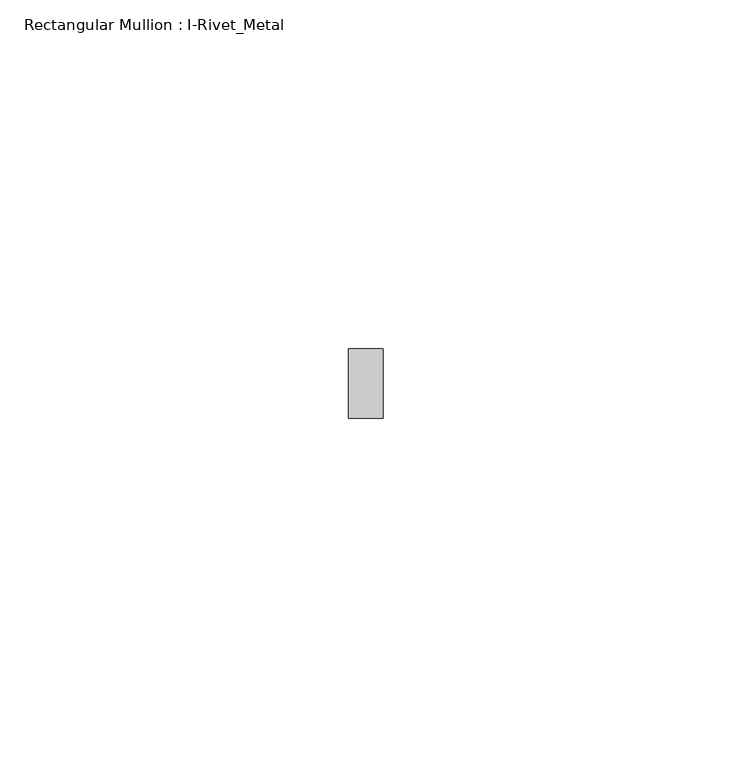
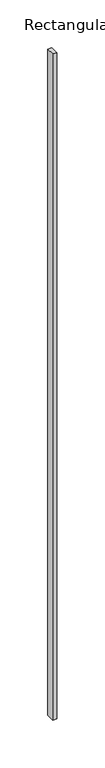
"""IFC4 building model written with IfcOpenShell, lengths in millimetres: member geometry, Rectangular Mullion : I-Rivet_Metal."""

from ifc_helpers import new_model, si_unit, frame, origin, place, context, project, spatial, polyline, outline, extrude, source, transform, mapped, element, save


def rectangular_mullion_i_rivet_metal_93307481(model_context):
    return source(origin(), model_context, "Body", "SweptSolid", [
        extrude(outline(polyline([(2.5, 70.0), (-2.5, 70.0), (-2.5, 80.0), (2.5, 80.0), (2.5, 70.0)])), frame((0.0, 0.0, -850.0), z_axis=(0.0, 0.0, 1.0), x_axis=(1.0, 0.0, 0.0)), (0.0, 0.0, 1.0), 850.0),
    ])


if __name__ == "__main__":
    model = new_model("IFC4")
    model_context = context("Model", 3, world=origin())
    ifc_project = project(units=[si_unit("LENGTHUNIT", "METRE", prefix="MILLI")], contexts=[model_context])
    site = spatial("IfcSite", under=ifc_project)
    building = spatial("IfcBuilding", under=site)
    placement = place(None, origin())
    rectangular_mullion_i_rivet_metal_shape = rectangular_mullion_i_rivet_metal_93307481(model_context)
    element("IfcMember", 1, ObjectType="Rectangular Mullion : I-Rivet_Metal", at=placement, inside=building, context=model_context, shape_type="MappedRepresentation", body=[
        mapped(rectangular_mullion_i_rivet_metal_shape, transform((0.0, 0.0, 0.0), x_axis=(1.0, 0.0, 0.0), y_axis=(0.0, 1.0, 0.0), z_axis=(0.0, 0.0, 1.0))),
    ])
    save(model, "model.ifc")
